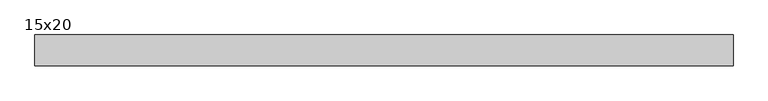
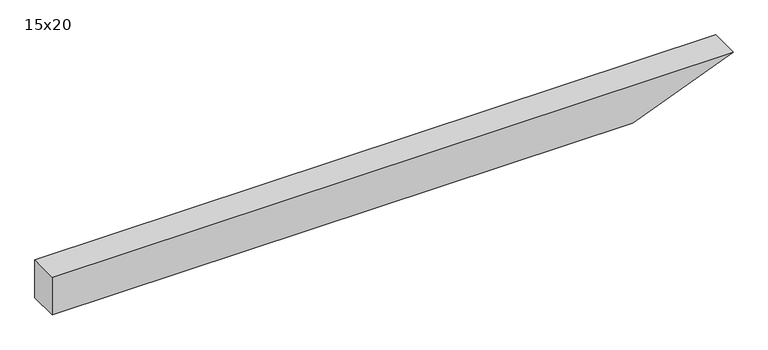
"""IFC4 building model written with IfcOpenShell, lengths in millimetres: beam geometry, 15x20."""

from ifc_helpers import new_model, si_unit, frame, origin, place, context, project, spatial, polyline, outline, extrude, source, transform, mapped, element, save


def beam_15x20_6231731b(model_context):
    return source(origin(), model_context, "Body", "SweptSolid", [
        extrude(outline(polyline([(100.0, -1725.5), (-100.0, -1725.5), (-100.0, 1173.3), (100.0, 1675.5), (100.0, -1725.5)])), frame((0.0, -75.0, 0.0), z_axis=(0.0, 1.0, 0.0), x_axis=(0.0, 0.0, 1.0)), (0.0, 0.0, 1.0), 150.0),
    ])


if __name__ == "__main__":
    model = new_model("IFC4")
    model_context = context("Model", 3, world=origin())
    ifc_project = project(units=[si_unit("LENGTHUNIT", "METRE", prefix="MILLI")], contexts=[model_context])
    site = spatial("IfcSite", under=ifc_project)
    building = spatial("IfcBuilding", under=site)
    placement = place(None, origin())
    beam_15x20_shape = beam_15x20_6231731b(model_context)
    element("IfcBeam", 1, ObjectType="15x20", at=placement, inside=building, context=model_context, shape_type="MappedRepresentation", body=[
        mapped(beam_15x20_shape, transform((0.0, 0.0, 0.0), x_axis=(1.0, 0.0, 0.0), y_axis=(0.0, 1.0, 0.0), z_axis=(0.0, 0.0, 1.0))),
    ])
    save(model, "model.ifc")
